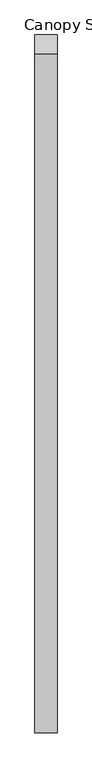
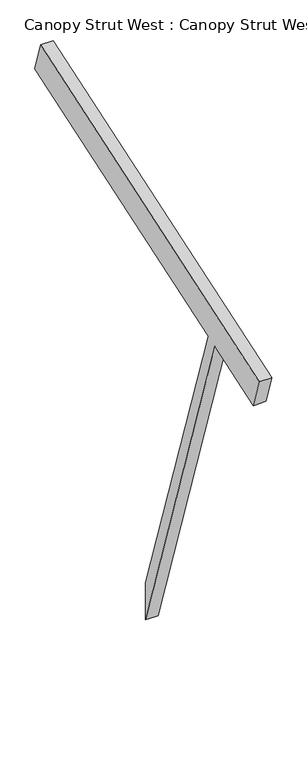
"""IFC4 building model written with IfcOpenShell, lengths in millimetres: proxy geometry, Canopy Strut West : Canopy Strut West."""

from ifc_helpers import new_model, si_unit, frame, origin, place, context, project, spatial, polyline, outline, extrude, source, transform, mapped, element, save


def canopy_strut_west_canopy_strut_west_64096440(model_context):
    return source(origin(), model_context, "Body", "SweptSolid", [
        extrude(outline(polyline([(154154.2789475, 3315.7798947), (156491.6448572, 4094.9018646), (156555.9023393, 3902.1294184), (154700.467545, 3283.6511537), (155372.5596581, 1267.3748141), (155372.5596581, 1026.4092564), (154628.1778776, 3259.5545979), (154218.5364295, 3123.0074485), (154154.2789475, 3315.7798947)])), frame((223774.7728488, 0.0, 0.0), z_axis=(1.0, 0.0, 0.0), x_axis=(0.0, 1.0, 0.0)), (0.0, 0.0, 1.0), 76.2),
    ])


if __name__ == "__main__":
    model = new_model("IFC4")
    model_context = context("Model", 3, world=origin())
    ifc_project = project(units=[si_unit("LENGTHUNIT", "METRE", prefix="MILLI")], contexts=[model_context])
    site = spatial("IfcSite", under=ifc_project)
    building = spatial("IfcBuilding", under=site)
    placement = place(None, origin())
    canopy_strut_west_canopy_strut_west_shape = canopy_strut_west_canopy_strut_west_64096440(model_context)
    element("IfcBuildingElementProxy", 1, Name="Canopy Strut West : Canopy Strut West", ObjectType="Canopy Strut West : Canopy Strut West", at=placement, inside=building, context=model_context, shape_type="MappedRepresentation", body=[
        mapped(canopy_strut_west_canopy_strut_west_shape, transform((0.0, 0.0, 0.0), x_axis=(1.0, 0.0, 0.0), y_axis=(0.0, 1.0, 0.0), z_axis=(0.0, 0.0, 1.0))),
    ])
    save(model, "model.ifc")
